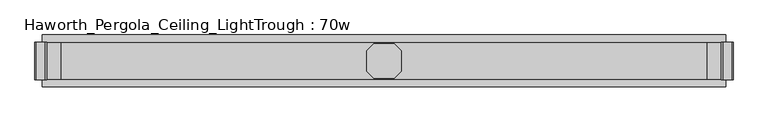
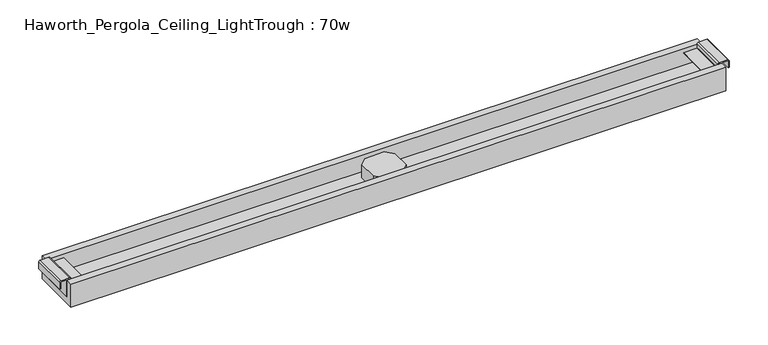
"""IFC4 building model written with IfcOpenShell, lengths in millimetres: furniture geometry, Haworth_Pergola_Ceiling_LightTrough : 70w."""

import ifcopenshell
import ifcopenshell.guid

model = None  # the IFC model being written
_history = None  # IfcOwnerHistory: only IFC2X3 demands one
_inside = {}  # id of a spatial element -> (the spatial element, [elements in it])
_under = {}  # id of a project, library or spatial element -> (it, [spatial elements below it])
_declared = {}  # id of a project -> (the project, [libraries it declares])
_typed = {}  # id of a type object -> (the type object, [elements of that type])
_made_of = {}  # id of a material, layer set ... -> (it, [elements and type objects made of it])


def new_model(schema):
    """Start an empty IFC model of exactly this schema.

    Asked for "IFC4X3", IfcOpenShell would pick the latest addendum, in which some entities
    have other attributes; the version numbers below select the first issue.
    IFC2X3 requires an IfcOwnerHistory on every rooted entity: one is made here for all.
    """
    global model, _history
    if schema == "IFC4X3":
        model = ifcopenshell.file(schema_version=(4, 3, 0, 0))
    else:
        model = ifcopenshell.file(schema=schema)
    _inside.clear()
    _under.clear()
    _declared.clear()
    _typed.clear()
    _made_of.clear()
    _history = None
    if model.schema == "IFC2X3":
        org = make("IfcOrganization", Name="unknown")
        user = make(
            "IfcPersonAndOrganization",
            ThePerson=make("IfcPerson", FamilyName="unknown"),
            TheOrganization=org,
        )
        app = make(
            "IfcApplication",
            ApplicationDeveloper=org,
            Version="unknown",
            ApplicationFullName="unknown",
            ApplicationIdentifier="unknown",
        )
        _history = make(
            "IfcOwnerHistory",
            OwningUser=user,
            OwningApplication=app,
            ChangeAction="ADDED",
            CreationDate=0,
        )
    return model


def make(cls, **values):
    """One entity of the class cls with the attributes given. An attribute that is None is left unset."""
    return model.create_entity(
        cls, **{name: value for name, value in values.items() if value is not None}
    )


def rooted(cls, **values):
    """An entity with a GlobalId (a new one), such as an element, a storey or a relation."""
    return make(cls, GlobalId=ifcopenshell.guid.new(), OwnerHistory=_history, **values)


def si_unit(unit_type, name, prefix=None):
    """IfcSIUnit, for example si_unit("LENGTHUNIT", "METRE", prefix="MILLI")."""
    return make("IfcSIUnit", UnitType=unit_type, Prefix=prefix, Name=name)


def assignment(units):
    """IfcUnitAssignment: the units of a project."""
    return None if units is None else make("IfcUnitAssignment", Units=units)


def point(xyz):
    """IfcCartesianPoint."""
    return None if xyz is None else make("IfcCartesianPoint", Coordinates=xyz)


def direction(xyz):
    """IfcDirection."""
    return None if xyz is None else make("IfcDirection", DirectionRatios=xyz)


def frame(location, z_axis=None, x_axis=None):
    """IfcAxis2Placement3D, a coordinate frame: its origin and axes. An axis left out is left unset."""
    return make(
        "IfcAxis2Placement3D",
        Location=point(location),
        Axis=direction(z_axis),
        RefDirection=direction(x_axis),
    )


def frame_2d(location, x_axis=None):
    """IfcAxis2Placement2D, a coordinate frame in the plane: its origin and x axis."""
    return make(
        "IfcAxis2Placement2D", Location=point(location), RefDirection=direction(x_axis)
    )


def origin():
    """The frame at (0, 0, 0) with its axes left unset."""
    return frame((0.0, 0.0, 0.0))


def place(relative_to, where):
    """IfcLocalPlacement: puts the frame where relative to a parent placement (None: the world)."""
    return make(
        "IfcLocalPlacement", PlacementRelTo=relative_to, RelativePlacement=where
    )


def context(
    kind, dimensions, precision=None, world=None, true_north=None, identifier=None
):
    """IfcGeometricRepresentationContext, for example the 3D "Model" context."""
    return make(
        "IfcGeometricRepresentationContext",
        ContextIdentifier=identifier,
        ContextType=kind,
        CoordinateSpaceDimension=dimensions,
        Precision=precision,
        WorldCoordinateSystem=world,
        TrueNorth=true_north,
    )


def project(units=None, contexts=None):
    """IfcProject with its units and contexts."""
    return rooted(
        "IfcProject",
        Name="project",
        RepresentationContexts=contexts,
        UnitsInContext=assignment(units),
    )


def spatial(cls, under=None, at=None, **own):
    """A site, building, storey or space (cls), placed at a placement, below another one or the project."""
    s = rooted(cls, ObjectPlacement=at, **own)
    if under is not None:
        _under.setdefault(under.id(), (under, []))[1].append(s)
    return s


def polyline(points):
    """IfcPolyline through the points."""
    return make("IfcPolyline", Points=[point(p) for p in points])


def circle_curve(where, radius):
    """IfcCircle in the frame where."""
    return make("IfcCircle", Position=where, Radius=radius)


def trimmed(basis, trim1, trim2, sense, master):
    """IfcTrimmedCurve: the piece of a basis curve between two trims."""
    return make(
        "IfcTrimmedCurve",
        BasisCurve=basis,
        Trim1=trim1,
        Trim2=trim2,
        SenseAgreement=sense,
        MasterRepresentation=master,
    )


def segment(curve, same_sense, transition):
    """IfcCompositeCurveSegment."""
    return make(
        "IfcCompositeCurveSegment",
        Transition=transition,
        SameSense=same_sense,
        ParentCurve=curve,
    )


def composite_curve(segments, self_intersect=None):
    """IfcCompositeCurve: segments joined end to end."""
    return make("IfcCompositeCurve", Segments=segments, SelfIntersect=self_intersect)


def outline(outer, holes=None, kind="AREA"):
    """IfcArbitraryClosedProfileDef: a profile drawn as a closed curve; with holes, ...WithVoids."""
    if holes is None:
        return make("IfcArbitraryClosedProfileDef", ProfileType=kind, OuterCurve=outer)
    return make(
        "IfcArbitraryProfileDefWithVoids",
        ProfileType=kind,
        OuterCurve=outer,
        InnerCurves=holes,
    )


def extrude(swept, where, along, depth):
    """IfcExtrudedAreaSolid: the profile swept, set in the frame where, extruded along a direction by depth."""
    return make(
        "IfcExtrudedAreaSolid",
        SweptArea=swept,
        Position=where,
        ExtrudedDirection=direction(along),
        Depth=depth,
    )


def shape(context_of_items, identifier, shape_type, items):
    """IfcShapeRepresentation: the items that make up one representation, for example the "Body"."""
    return make(
        "IfcShapeRepresentation",
        ContextOfItems=context_of_items,
        RepresentationIdentifier=identifier,
        RepresentationType=shape_type,
        Items=items,
    )


def source(mapping_origin, context_of_items, identifier, shape_type, items):
    """IfcRepresentationMap: a shape defined once, which mapped items show again and again."""
    return make(
        "IfcRepresentationMap",
        MappingOrigin=mapping_origin,
        MappedRepresentation=shape(context_of_items, identifier, shape_type, items),
    )


def transform(
    local_origin,
    x_axis=None,
    y_axis=None,
    z_axis=None,
    scale=None,
    scale2=None,
    scale3=None,
    uniform=True,
):
    """IfcCartesianTransformationOperator3D, or its non-uniform kind. x_axis, y_axis, z_axis: its Axis1, 2, 3."""
    if uniform:
        return make(
            "IfcCartesianTransformationOperator3D",
            Axis1=direction(x_axis),
            Axis2=direction(y_axis),
            LocalOrigin=point(local_origin),
            Scale=scale,
            Axis3=direction(z_axis),
        )
    return make(
        "IfcCartesianTransformationOperator3DnonUniform",
        Axis1=direction(x_axis),
        Axis2=direction(y_axis),
        LocalOrigin=point(local_origin),
        Scale=scale,
        Axis3=direction(z_axis),
        Scale2=scale2,
        Scale3=scale3,
    )


def mapped(mapping_source, mapping_target):
    """IfcMappedItem: shows the shape of a source again, moved by a transform."""
    return make(
        "IfcMappedItem", MappingSource=mapping_source, MappingTarget=mapping_target
    )


def made_of(thing, what):
    """Note that an element or type object is made of a material, layer set ...; save() writes the relation."""
    if what is not None:
        _made_of.setdefault(what.id(), (what, []))[1].append(thing)
    return thing


def element(
    cls,
    number,
    at=None,
    inside=None,
    cuts=None,
    type_object=None,
    material=None,
    context=None,
    identifier="Body",
    shape_type=None,
    held_by="IfcProductDefinitionShape",
    body=None,
    shapes=None,
    **own,
):
    """One element of the class cls, such as IfcWall. Its Tag is "e" and its number.

    at: its placement. inside: the storey or other place that contains it. cuts: it is an
    opening in that element (IfcRelVoidsElement). A single representation is given by context,
    identifier, shape_type and body (its items); several are given by shapes. held_by: the class
    of the entity that holds the representations. save() writes the other relations.
    """
    e = rooted(cls, Tag="e%d" % number, ObjectPlacement=at, **own)
    if body is not None:
        shapes = [shape(context, identifier, shape_type, body)]
    if shapes is not None:
        e.Representation = make(held_by, Representations=shapes)
    if inside is not None:
        _inside.setdefault(inside.id(), (inside, []))[1].append(e)
    if cuts is not None:
        rooted(
            "IfcRelVoidsElement", RelatingBuildingElement=cuts, RelatedOpeningElement=e
        )
    if type_object is not None:
        _typed.setdefault(type_object.id(), (type_object, []))[1].append(e)
    return made_of(e, material)


def aggregate(whole, parts):
    """IfcRelAggregates: a whole, such as a stair, and the parts it consists of."""
    return rooted("IfcRelAggregates", RelatingObject=whole, RelatedObjects=parts)


def save(model, path):
    """Write the relations noted so far, then the file.

    IfcRelAggregates (storeys below a building ...), IfcRelContainedInSpatialStructure (elements
    in a storey), IfcRelDefinesByType, IfcRelAssociatesMaterial and IfcRelDeclares: one each for
    every whole, place, type object, material and project.
    """
    for whole, parts in _under.values():
        aggregate(whole, parts)
    for where, things in _inside.values():
        rooted(
            "IfcRelContainedInSpatialStructure",
            RelatedElements=things,
            RelatingStructure=where,
        )
    for kind, things in _typed.values():
        rooted("IfcRelDefinesByType", RelatedObjects=things, RelatingType=kind)
    for what, things in _made_of.values():
        rooted("IfcRelAssociatesMaterial", RelatedObjects=things, RelatingMaterial=what)
    for by, libraries in _declared.values():
        rooted("IfcRelDeclares", RelatingContext=by, RelatedDefinitions=libraries)
    model.write(path)


def haworth_pergola_ceiling_lighttrough_70w_36a8bbfd(model_context):
    return source(origin(), model_context, "Body", "SweptSolid", [
        extrude(outline(polyline([(5.0419998, 26.8840513), (23.1159515, 44.9580002), (76.8840484, 44.9580002), (94.9580002, 26.8840513), (94.9580002, -26.8840485), (76.8840484, -44.9580002), (23.1159515, -44.9580002), (5.0419998, -26.8840485), (5.0419998, 26.8840513)])), frame((0.0, 0.0, 2389.4796), z_axis=(0.0, 0.0, 1.0), x_axis=(1.0, 0.0, 0.0)), (0.0, 0.0, 1.0), 38.0999994),
        extrude(outline(composite_curve([segment(polyline([(2418.3545999, 958.3534303), (2437.4045999, 958.3534303)]), True, "CONTINUOUS"), segment(trimmed(circle_curve(frame_2d((2437.4045999, 954.6934293)), 3.660001), [point((2437.4045999, 958.3534303))], [point((2441.0646008, 954.6934293))], False, "CARTESIAN"), True, "CONTINUOUS"), segment(polyline([(2441.0646008, 954.6934293), (2441.0646008, 931.2934303)]), True, "CONTINUOUS"), segment(trimmed(circle_curve(frame_2d((2437.0478931, 931.6670697)), 4.0340485), [point((2441.0646008, 931.2934303))], [point((2437.0478931, 927.6330212))], False, "CARTESIAN"), True, "CONTINUOUS"), segment(polyline([(2437.0478931, 927.6330212), (2426.6645986, 927.6330212), (2425.6646, 926.6330226), (2425.6646, 891.1434301), (2423.0046, 891.1434301), (2423.0046, 926.6334301), (2423.0046, 937.0999999), (2389.4796, 937.0999999), (2389.4796, 939.0), (2437.0478931, 939.0), (2437.0478931, 937.0999999), (2426.6645986, 937.0999999), (2426.6645986, 930.29343), (2437.0478931, 930.29343), (2438.4045979, 931.2934303), (2438.4045979, 954.6934316), (2437.4045999, 955.6934296), (2418.3545999, 955.6934296), (2418.3545999, 958.3534303)]), True, "CONTINUOUS")], self_intersect=False)), frame((0.0, -48.650001, 0.0), z_axis=(0.0, 1.0, 0.0), x_axis=(0.0, 0.0, 1.0)), (0.0, 0.0, 1.0), 97.3000021),
        extrude(outline(composite_curve([segment(polyline([(2418.3545999, -858.3534303), (2418.3545999, -855.6934296), (2437.4045999, -855.6934296), (2438.4045979, -854.6934316), (2438.4045979, -831.2934303), (2437.0478931, -830.29343), (2426.6645986, -830.29343), (2426.6645986, -837.1), (2437.0478931, -837.1), (2437.0478931, -839.0), (2389.4796, -839.0), (2389.4796, -837.1), (2423.0046, -837.1), (2423.0046, -826.6334301), (2423.0046, -791.1434301), (2425.6646, -791.1434301), (2425.6646, -826.6330226), (2426.6645986, -827.6330212), (2437.0478931, -827.6330212)]), True, "CONTINUOUS"), segment(trimmed(circle_curve(frame_2d((2437.0478931, -831.6670697)), 4.0340485), [point((2437.0478931, -827.6330212))], [point((2441.0646008, -831.2934303))], False, "CARTESIAN"), True, "CONTINUOUS"), segment(polyline([(2441.0646008, -831.2934303), (2441.0646008, -854.6934294)]), True, "CONTINUOUS"), segment(trimmed(circle_curve(frame_2d((2437.4045999, -854.6934294)), 3.660001), [point((2441.0646008, -854.6934294))], [point((2437.4045999, -858.3534303))], False, "CARTESIAN"), True, "CONTINUOUS"), segment(polyline([(2437.4045999, -858.3534303), (2418.3545999, -858.3534303)]), True, "CONTINUOUS")], self_intersect=False)), frame((0.0, -48.650001, 0.0), z_axis=(0.0, 1.0, 0.0), x_axis=(0.0, 0.0, 1.0)), (0.0, 0.0, 1.0), 97.3000021),
        extrude(outline(polyline([(67.700001, 2370.4296), (-67.700001, 2370.4296), (-67.700001, 2437.0478931), (-48.650001, 2437.0478931), (-48.650001, 2389.4796), (48.650001, 2389.4796), (48.650001, 2437.0478931), (67.700001, 2437.0478931), (67.700001, 2370.4296)])), frame((-839.0, 0.0, 0.0), z_axis=(1.0, 0.0, 0.0), x_axis=(0.0, 1.0, 0.0)), (0.0, 0.0, 1.0), 1778.0),
    ])


if __name__ == "__main__":
    model = new_model("IFC4")
    model_context = context("Model", 3, world=origin())
    ifc_project = project(units=[si_unit("LENGTHUNIT", "METRE", prefix="MILLI")], contexts=[model_context])
    site = spatial("IfcSite", under=ifc_project)
    building = spatial("IfcBuilding", under=site)
    placement = place(None, origin())
    haworth_pergola_ceiling_lighttrough_70w_shape = haworth_pergola_ceiling_lighttrough_70w_36a8bbfd(model_context)
    element("IfcFurniture", 1, ObjectType="Haworth_Pergola_Ceiling_LightTrough : 70w", at=placement, inside=building, context=model_context, shape_type="MappedRepresentation", body=[
        mapped(haworth_pergola_ceiling_lighttrough_70w_shape, transform((0.0, 0.0, 0.0), x_axis=(1.0, 0.0, 0.0), y_axis=(0.0, 1.0, 0.0), z_axis=(0.0, 0.0, 1.0))),
    ])
    save(model, "model.ifc")
